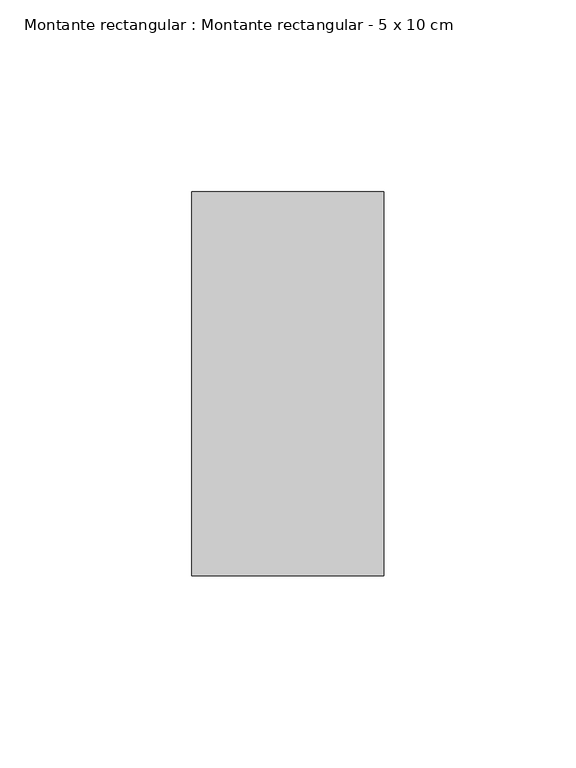
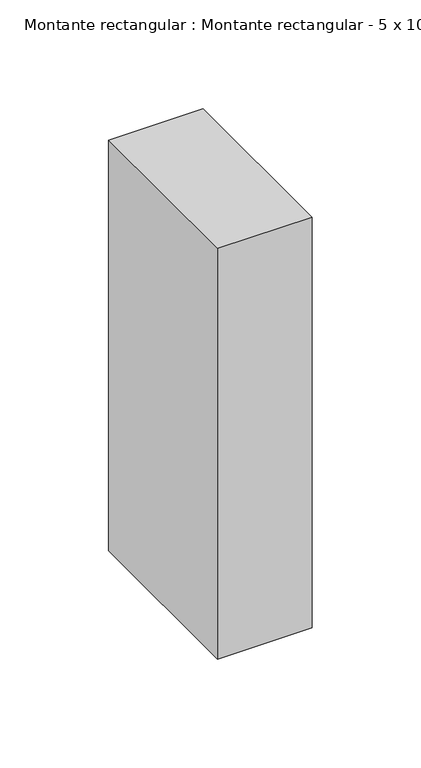
"""IFC4 building model written with IfcOpenShell, lengths in millimetres: member geometry, Montante rectangular : Montante rectangular - 5 x 10 cm."""

from ifc_helpers import new_model, si_unit, frame, origin, place, context, project, spatial, polyline, outline, extrude, source, transform, mapped, element, save


def montante_rectangular_montante_rectangular_5_x_10_cm_1d475579(model_context):
    return source(origin(), model_context, "Body", "SweptSolid", [
        extrude(outline(polyline([(0.0, 50.0), (0.0, -50.0), (-50.0, -50.0), (-50.0, 50.0), (0.0, 50.0)])), frame((0.0, 0.0, -230.0), z_axis=(0.0, 0.0, 1.0), x_axis=(1.0, 0.0, 0.0)), (0.0, 0.0, 1.0), 230.0),
    ])


if __name__ == "__main__":
    model = new_model("IFC4")
    model_context = context("Model", 3, world=origin())
    ifc_project = project(units=[si_unit("LENGTHUNIT", "METRE", prefix="MILLI")], contexts=[model_context])
    site = spatial("IfcSite", under=ifc_project)
    building = spatial("IfcBuilding", under=site)
    placement = place(None, origin())
    montante_rectangular_montante_rectangular_5_x_10_cm_shape = montante_rectangular_montante_rectangular_5_x_10_cm_1d475579(model_context)
    element("IfcMember", 1, ObjectType="Montante rectangular : Montante rectangular - 5 x 10 cm", at=placement, inside=building, context=model_context, shape_type="MappedRepresentation", body=[
        mapped(montante_rectangular_montante_rectangular_5_x_10_cm_shape, transform((0.0, 0.0, 0.0), x_axis=(1.0, 0.0, 0.0), y_axis=(0.0, 1.0, 0.0), z_axis=(0.0, 0.0, 1.0))),
    ])
    save(model, "model.ifc")
